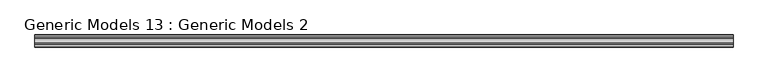
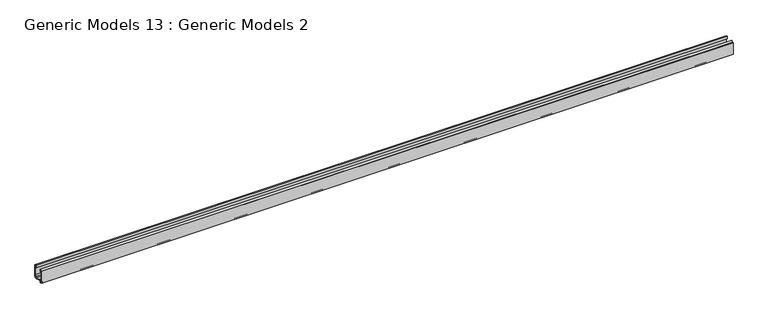
"""IFC4 building model written with IfcOpenShell, lengths in millimetres: proxy geometry, Generic Models 13 : Generic Models 2."""

from ifc_helpers import new_model, si_unit, frame, origin, place, context, project, spatial, polyline, outline, extrude, source, transform, mapped, element, save


def generic_models_13_generic_models_2_9ba4642e(model_context):
    return source(origin(), model_context, "Body", "SweptSolid", [
        extrude(outline(polyline([(381.7428394, 100.8795933), (381.792084, 99.9297244), (381.051529, 99.4360211), (380.0382023, 100.0946835), (378.6303256, 100.0946835), (378.6303256, 97.7823585), (375.4879353, 97.7823585), (375.4879353, 162.290295), (380.9426505, 162.290295), (380.9426505, 159.1479047), (379.163939, 158.8514528), (380.9426505, 153.9896414), (380.9426505, 149.7207339), (378.6303256, 149.7207339), (378.6303256, 105.1936564), (390.784854, 105.1936564), (390.784854, 103.8215075), (380.8833601, 102.4070084), (380.8833601, 101.3562214), (381.7428394, 100.8795933)])), frame((0.0, 0.0, 0.0), z_axis=(1.0, 0.0, 0.0), x_axis=(0.0, 1.0, 0.0)), (0.0, 0.0, 1.0), 3657.6),
        extrude(outline(polyline([(377.100374, 163.5266279), (388.5318195, 166.5750134), (388.5318195, 154.9694003), (382.43854, 149.7207339), (381.2332361, 149.7207339), (381.2332361, 154.2498701), (379.6911992, 158.4647708), (381.2332361, 158.721777), (381.2332361, 162.4880148), (377.100374, 162.4880148), (377.100374, 163.5266279)])), frame((0.0, 0.0, 0.0), z_axis=(1.0, 0.0, 0.0), x_axis=(0.0, 1.0, 0.0)), (0.0, 0.0, 1.0), 3657.6),
        extrude(outline(polyline([(436.4384488, 150.4322185), (431.8730893, 150.4322185), (431.8730893, 152.4778131), (433.1774778, 153.7820856), (433.1774778, 151.9737684), (434.6597373, 151.9737684), (435.6535577, 153.6951158), (435.6535577, 155.9765348), (434.768136, 157.8753279), (433.1774778, 157.8753279), (433.1774778, 155.8421044), (431.8730893, 156.0648048), (431.8730893, 161.1044874), (438.9879353, 160.5060424), (438.9879353, 98.0788104), (435.4305123, 98.0788104), (435.4305123, 91.7940299), (433.4146393, 91.7940299), (433.4146393, 98.0788104), (422.5052089, 98.0788104), (422.5052089, 91.7940299), (420.4893358, 91.7940299), (420.4893358, 98.0788104), (389.4211752, 98.0788104), (389.4211752, 91.7940299), (387.4053022, 91.7940299), (387.4053022, 98.0788104), (378.8081967, 98.0788104), (378.8081967, 99.4424892), (379.6382621, 99.9761027), (380.5869082, 99.3239085), (387.4053022, 99.3239085), (388.7096906, 100.6282969), (392.4449848, 100.6282969), (392.4449848, 105.9644314), (378.9860679, 105.9644314), (378.9860679, 107.5059813), (394.4608578, 107.5059813), (394.4608578, 100.6282969), (420.3707551, 100.6282969), (420.3707551, 107.5059813), (436.4384488, 107.5059813), (436.4384488, 150.4322185)]), holes=[polyline([(435.845545, 100.2132642), (435.845545, 105.9644314), (422.5052089, 105.9644314), (422.5052089, 100.2132642), (435.845545, 100.2132642)])]), frame((0.0, 0.0, 0.0), z_axis=(1.0, 0.0, 0.0), x_axis=(0.0, 1.0, 0.0)), (0.0, 0.0, 1.0), 3657.6),
        extrude(outline(polyline([(428.5318195, 165.0848373), (438.4904589, 162.8660731), (438.4904589, 160.7646582), (431.5662439, 161.3470688), (431.5662439, 155.906769), (433.489896, 155.5783406), (433.489896, 157.6166039), (434.5142449, 157.6166039), (435.3542905, 155.8151204), (435.3542905, 153.7348219), (434.4938422, 152.2444816), (433.4046553, 152.2444816), (433.4046553, 154.4988698), (431.5662439, 152.6604584), (431.5662439, 150.4322185), (428.5318195, 150.4322185), (428.5318195, 165.0848373)])), frame((0.0, 0.0, 0.0), z_axis=(1.0, 0.0, 0.0), x_axis=(0.0, 1.0, 0.0)), (0.0, 0.0, 1.0), 3657.6),
    ])


if __name__ == "__main__":
    model = new_model("IFC4")
    model_context = context("Model", 3, world=origin())
    ifc_project = project(units=[si_unit("LENGTHUNIT", "METRE", prefix="MILLI")], contexts=[model_context])
    site = spatial("IfcSite", under=ifc_project)
    building = spatial("IfcBuilding", under=site)
    placement = place(None, origin())
    generic_models_13_generic_models_2_shape = generic_models_13_generic_models_2_9ba4642e(model_context)
    element("IfcBuildingElementProxy", 1, Name="Generic Models 13 : Generic Models 2", ObjectType="Generic Models 13 : Generic Models 2", at=placement, inside=building, context=model_context, shape_type="MappedRepresentation", body=[
        mapped(generic_models_13_generic_models_2_shape, transform((0.0, 0.0, 0.0), x_axis=(1.0, 0.0, 0.0), y_axis=(0.0, 1.0, 0.0), z_axis=(0.0, 0.0, 1.0))),
    ])
    save(model, "model.ifc")
